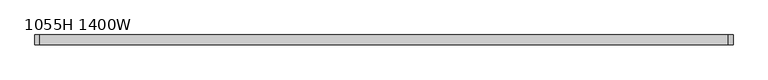
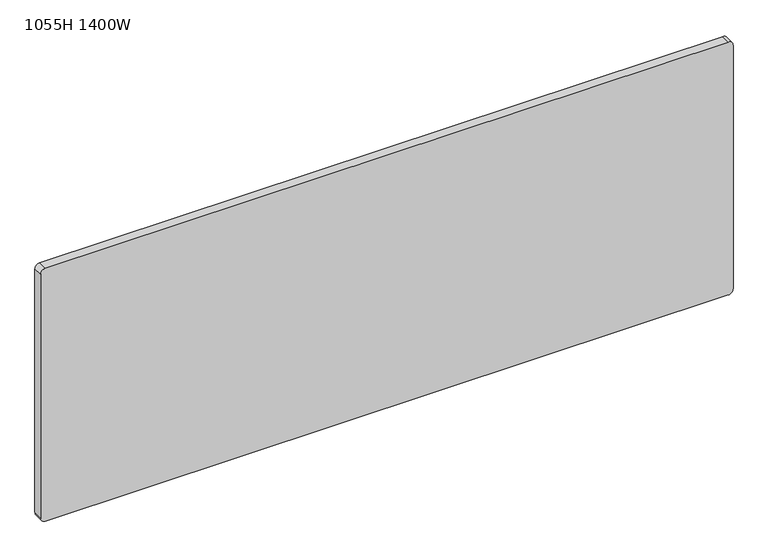
"""IFC4 building model written with IfcOpenShell, lengths in millimetres: furniture geometry, 1055H 1400W."""

import ifcopenshell
import ifcopenshell.guid

model = None  # the IFC model being written
_history = None  # IfcOwnerHistory: only IFC2X3 demands one
_inside = {}  # id of a spatial element -> (the spatial element, [elements in it])
_under = {}  # id of a project, library or spatial element -> (it, [spatial elements below it])
_declared = {}  # id of a project -> (the project, [libraries it declares])
_typed = {}  # id of a type object -> (the type object, [elements of that type])
_made_of = {}  # id of a material, layer set ... -> (it, [elements and type objects made of it])


def new_model(schema):
    """Start an empty IFC model of exactly this schema.

    Asked for "IFC4X3", IfcOpenShell would pick the latest addendum, in which some entities
    have other attributes; the version numbers below select the first issue.
    IFC2X3 requires an IfcOwnerHistory on every rooted entity: one is made here for all.
    """
    global model, _history
    if schema == "IFC4X3":
        model = ifcopenshell.file(schema_version=(4, 3, 0, 0))
    else:
        model = ifcopenshell.file(schema=schema)
    _inside.clear()
    _under.clear()
    _declared.clear()
    _typed.clear()
    _made_of.clear()
    _history = None
    if model.schema == "IFC2X3":
        org = make("IfcOrganization", Name="unknown")
        user = make(
            "IfcPersonAndOrganization",
            ThePerson=make("IfcPerson", FamilyName="unknown"),
            TheOrganization=org,
        )
        app = make(
            "IfcApplication",
            ApplicationDeveloper=org,
            Version="unknown",
            ApplicationFullName="unknown",
            ApplicationIdentifier="unknown",
        )
        _history = make(
            "IfcOwnerHistory",
            OwningUser=user,
            OwningApplication=app,
            ChangeAction="ADDED",
            CreationDate=0,
        )
    return model


def make(cls, **values):
    """One entity of the class cls with the attributes given. An attribute that is None is left unset."""
    return model.create_entity(
        cls, **{name: value for name, value in values.items() if value is not None}
    )


def rooted(cls, **values):
    """An entity with a GlobalId (a new one), such as an element, a storey or a relation."""
    return make(cls, GlobalId=ifcopenshell.guid.new(), OwnerHistory=_history, **values)


def si_unit(unit_type, name, prefix=None):
    """IfcSIUnit, for example si_unit("LENGTHUNIT", "METRE", prefix="MILLI")."""
    return make("IfcSIUnit", UnitType=unit_type, Prefix=prefix, Name=name)


def assignment(units):
    """IfcUnitAssignment: the units of a project."""
    return None if units is None else make("IfcUnitAssignment", Units=units)


def point(xyz):
    """IfcCartesianPoint."""
    return None if xyz is None else make("IfcCartesianPoint", Coordinates=xyz)


def direction(xyz):
    """IfcDirection."""
    return None if xyz is None else make("IfcDirection", DirectionRatios=xyz)


def frame(location, z_axis=None, x_axis=None):
    """IfcAxis2Placement3D, a coordinate frame: its origin and axes. An axis left out is left unset."""
    return make(
        "IfcAxis2Placement3D",
        Location=point(location),
        Axis=direction(z_axis),
        RefDirection=direction(x_axis),
    )


def frame_2d(location, x_axis=None):
    """IfcAxis2Placement2D, a coordinate frame in the plane: its origin and x axis."""
    return make(
        "IfcAxis2Placement2D", Location=point(location), RefDirection=direction(x_axis)
    )


def origin():
    """The frame at (0, 0, 0) with its axes left unset."""
    return frame((0.0, 0.0, 0.0))


def place(relative_to, where):
    """IfcLocalPlacement: puts the frame where relative to a parent placement (None: the world)."""
    return make(
        "IfcLocalPlacement", PlacementRelTo=relative_to, RelativePlacement=where
    )


def context(
    kind, dimensions, precision=None, world=None, true_north=None, identifier=None
):
    """IfcGeometricRepresentationContext, for example the 3D "Model" context."""
    return make(
        "IfcGeometricRepresentationContext",
        ContextIdentifier=identifier,
        ContextType=kind,
        CoordinateSpaceDimension=dimensions,
        Precision=precision,
        WorldCoordinateSystem=world,
        TrueNorth=true_north,
    )


def project(units=None, contexts=None):
    """IfcProject with its units and contexts."""
    return rooted(
        "IfcProject",
        Name="project",
        RepresentationContexts=contexts,
        UnitsInContext=assignment(units),
    )


def spatial(cls, under=None, at=None, **own):
    """A site, building, storey or space (cls), placed at a placement, below another one or the project."""
    s = rooted(cls, ObjectPlacement=at, **own)
    if under is not None:
        _under.setdefault(under.id(), (under, []))[1].append(s)
    return s


def polyline(points):
    """IfcPolyline through the points."""
    return make("IfcPolyline", Points=[point(p) for p in points])


def circle_curve(where, radius):
    """IfcCircle in the frame where."""
    return make("IfcCircle", Position=where, Radius=radius)


def trimmed(basis, trim1, trim2, sense, master):
    """IfcTrimmedCurve: the piece of a basis curve between two trims."""
    return make(
        "IfcTrimmedCurve",
        BasisCurve=basis,
        Trim1=trim1,
        Trim2=trim2,
        SenseAgreement=sense,
        MasterRepresentation=master,
    )


def segment(curve, same_sense, transition):
    """IfcCompositeCurveSegment."""
    return make(
        "IfcCompositeCurveSegment",
        Transition=transition,
        SameSense=same_sense,
        ParentCurve=curve,
    )


def composite_curve(segments, self_intersect=None):
    """IfcCompositeCurve: segments joined end to end."""
    return make("IfcCompositeCurve", Segments=segments, SelfIntersect=self_intersect)


def outline(outer, holes=None, kind="AREA"):
    """IfcArbitraryClosedProfileDef: a profile drawn as a closed curve; with holes, ...WithVoids."""
    if holes is None:
        return make("IfcArbitraryClosedProfileDef", ProfileType=kind, OuterCurve=outer)
    return make(
        "IfcArbitraryProfileDefWithVoids",
        ProfileType=kind,
        OuterCurve=outer,
        InnerCurves=holes,
    )


def extrude(swept, where, along, depth):
    """IfcExtrudedAreaSolid: the profile swept, set in the frame where, extruded along a direction by depth."""
    return make(
        "IfcExtrudedAreaSolid",
        SweptArea=swept,
        Position=where,
        ExtrudedDirection=direction(along),
        Depth=depth,
    )


def shape(context_of_items, identifier, shape_type, items):
    """IfcShapeRepresentation: the items that make up one representation, for example the "Body"."""
    return make(
        "IfcShapeRepresentation",
        ContextOfItems=context_of_items,
        RepresentationIdentifier=identifier,
        RepresentationType=shape_type,
        Items=items,
    )


def source(mapping_origin, context_of_items, identifier, shape_type, items):
    """IfcRepresentationMap: a shape defined once, which mapped items show again and again."""
    return make(
        "IfcRepresentationMap",
        MappingOrigin=mapping_origin,
        MappedRepresentation=shape(context_of_items, identifier, shape_type, items),
    )


def transform(
    local_origin,
    x_axis=None,
    y_axis=None,
    z_axis=None,
    scale=None,
    scale2=None,
    scale3=None,
    uniform=True,
):
    """IfcCartesianTransformationOperator3D, or its non-uniform kind. x_axis, y_axis, z_axis: its Axis1, 2, 3."""
    if uniform:
        return make(
            "IfcCartesianTransformationOperator3D",
            Axis1=direction(x_axis),
            Axis2=direction(y_axis),
            LocalOrigin=point(local_origin),
            Scale=scale,
            Axis3=direction(z_axis),
        )
    return make(
        "IfcCartesianTransformationOperator3DnonUniform",
        Axis1=direction(x_axis),
        Axis2=direction(y_axis),
        LocalOrigin=point(local_origin),
        Scale=scale,
        Axis3=direction(z_axis),
        Scale2=scale2,
        Scale3=scale3,
    )


def mapped(mapping_source, mapping_target):
    """IfcMappedItem: shows the shape of a source again, moved by a transform."""
    return make(
        "IfcMappedItem", MappingSource=mapping_source, MappingTarget=mapping_target
    )


def made_of(thing, what):
    """Note that an element or type object is made of a material, layer set ...; save() writes the relation."""
    if what is not None:
        _made_of.setdefault(what.id(), (what, []))[1].append(thing)
    return thing


def element(
    cls,
    number,
    at=None,
    inside=None,
    cuts=None,
    type_object=None,
    material=None,
    context=None,
    identifier="Body",
    shape_type=None,
    held_by="IfcProductDefinitionShape",
    body=None,
    shapes=None,
    **own,
):
    """One element of the class cls, such as IfcWall. Its Tag is "e" and its number.

    at: its placement. inside: the storey or other place that contains it. cuts: it is an
    opening in that element (IfcRelVoidsElement). A single representation is given by context,
    identifier, shape_type and body (its items); several are given by shapes. held_by: the class
    of the entity that holds the representations. save() writes the other relations.
    """
    e = rooted(cls, Tag="e%d" % number, ObjectPlacement=at, **own)
    if body is not None:
        shapes = [shape(context, identifier, shape_type, body)]
    if shapes is not None:
        e.Representation = make(held_by, Representations=shapes)
    if inside is not None:
        _inside.setdefault(inside.id(), (inside, []))[1].append(e)
    if cuts is not None:
        rooted(
            "IfcRelVoidsElement", RelatingBuildingElement=cuts, RelatedOpeningElement=e
        )
    if type_object is not None:
        _typed.setdefault(type_object.id(), (type_object, []))[1].append(e)
    return made_of(e, material)


def aggregate(whole, parts):
    """IfcRelAggregates: a whole, such as a stair, and the parts it consists of."""
    return rooted("IfcRelAggregates", RelatingObject=whole, RelatedObjects=parts)


def save(model, path):
    """Write the relations noted so far, then the file.

    IfcRelAggregates (storeys below a building ...), IfcRelContainedInSpatialStructure (elements
    in a storey), IfcRelDefinesByType, IfcRelAssociatesMaterial and IfcRelDeclares: one each for
    every whole, place, type object, material and project.
    """
    for whole, parts in _under.values():
        aggregate(whole, parts)
    for where, things in _inside.values():
        rooted(
            "IfcRelContainedInSpatialStructure",
            RelatedElements=things,
            RelatingStructure=where,
        )
    for kind, things in _typed.values():
        rooted("IfcRelDefinesByType", RelatedObjects=things, RelatingType=kind)
    for what, things in _made_of.values():
        rooted("IfcRelAssociatesMaterial", RelatedObjects=things, RelatingMaterial=what)
    for by, libraries in _declared.values():
        rooted("IfcRelDeclares", RelatingContext=by, RelatedDefinitions=libraries)
    model.write(path)


def furniture_1055h_1400w_3e4daaa0(model_context):
    return source(origin(), model_context, "Body", "SweptSolid", [
        extrude(outline(composite_curve([segment(trimmed(circle_curve(frame_2d((540.0, 702.5)), 10.0), [point((530.0, 702.5))], [point((540.0, 712.5))], False, "CARTESIAN"), True, "CONTINUOUS"), segment(polyline([(540.0, 712.5), (1070.0, 712.5)]), True, "CONTINUOUS"), segment(trimmed(circle_curve(frame_2d((1070.0, 702.5)), 10.0), [point((1070.0, 712.5))], [point((1080.0, 702.5))], False, "CARTESIAN"), True, "CONTINUOUS"), segment(polyline([(1080.0, 702.5), (1080.0, -702.5)]), True, "CONTINUOUS"), segment(trimmed(circle_curve(frame_2d((1070.0, -702.5)), 10.0), [point((1080.0, -702.5))], [point((1070.0, -712.5))], False, "CARTESIAN"), True, "CONTINUOUS"), segment(polyline([(1070.0, -712.5), (540.0, -712.5)]), True, "CONTINUOUS"), segment(trimmed(circle_curve(frame_2d((540.0, -702.5)), 10.0), [point((540.0, -712.5))], [point((530.0, -702.5))], False, "CARTESIAN"), True, "CONTINUOUS"), segment(polyline([(530.0, -702.5), (530.0, 702.5)]), True, "CONTINUOUS")], self_intersect=False)), frame((0.0, -10.0, 0.0), z_axis=(0.0, 1.0, 0.0), x_axis=(0.0, 0.0, 1.0)), (0.0, 0.0, 1.0), 20.0),
    ])


if __name__ == "__main__":
    model = new_model("IFC4")
    model_context = context("Model", 3, world=origin())
    ifc_project = project(units=[si_unit("LENGTHUNIT", "METRE", prefix="MILLI")], contexts=[model_context])
    site = spatial("IfcSite", under=ifc_project)
    building = spatial("IfcBuilding", under=site)
    placement = place(None, origin())
    furniture_1055h_1400w_shape = furniture_1055h_1400w_3e4daaa0(model_context)
    element("IfcFurniture", 1, ObjectType="1055H 1400W", at=placement, inside=building, context=model_context, shape_type="MappedRepresentation", body=[
        mapped(furniture_1055h_1400w_shape, transform((0.0, 0.0, 0.0), x_axis=(1.0, 0.0, 0.0), y_axis=(0.0, 1.0, 0.0), z_axis=(0.0, 0.0, 1.0))),
    ])
    save(model, "model.ifc")
